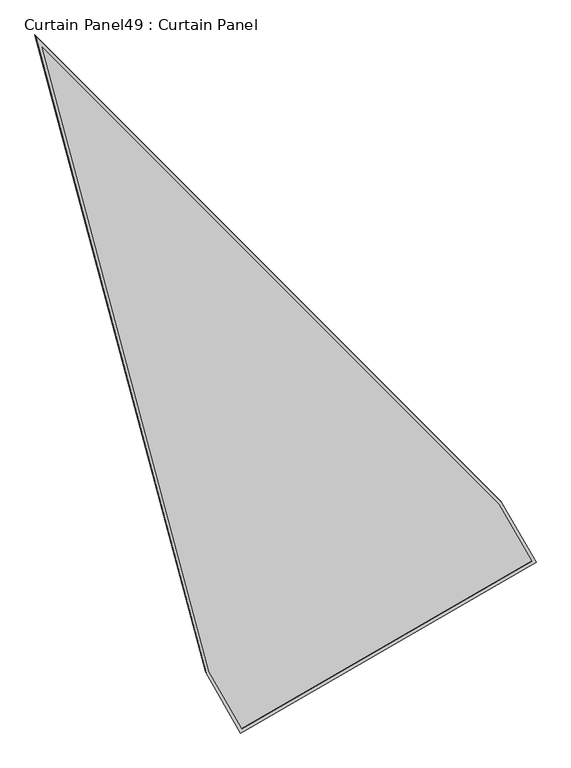
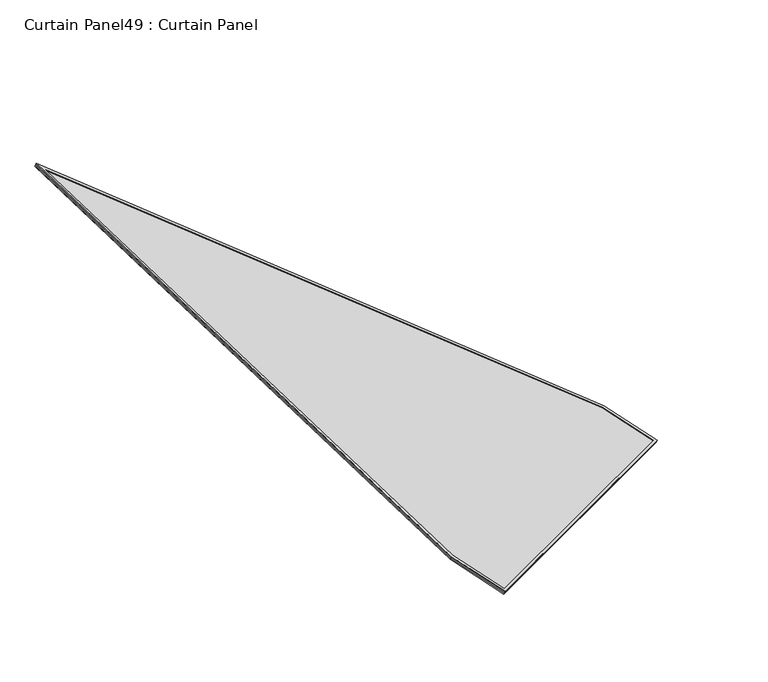
"""IFC4 building model written with IfcOpenShell, lengths in millimetres: plate geometry, Curtain Panel49 : Curtain Panel."""

from ifc_helpers import new_model, si_unit, frame, origin, place, context, project, spatial, polyline, outline, extrude, source, transform, mapped, element, save


def curtain_panel49_curtain_panel_530f396e(model_context):
    return source(origin(), model_context, "Body", "SweptSolid", [
        extrude(outline(polyline([(847.432027, -3696.5592355), (0.0, -362.9194999), (0.0, 0.0), (1694.6321762, 0.0), (1694.6321762, -363.8316639), (847.432027, -3696.5592355)]), holes=[polyline([(1677.9693784, -16.6627979), (16.6627979, -16.6627978), (16.6627978, -360.8347585), (847.432027, -3628.9261511), (1677.9693783, -361.7469225), (1677.9693784, -16.6627979)])]), frame((14801.0900521, -1323.8839401, 1929.7415994), z_axis=(0.15807291198690424, -0.2737903148616867, 0.9487106081329117), x_axis=(-0.8660254037844459, -0.4999999999999876, 0.0)), (0.0, 0.0, 1.0), 4.8609908),
        extrude(outline(polyline([(847.4320271, -3696.5592355), (0.0, -362.9194999), (0.0, 0.0), (1694.6321763, -1e-07), (1694.6321763, -363.8316639), (847.4320271, -3696.5592355)]), holes=[polyline([(1684.3193784, -10.3127979), (10.312798, -10.3127979), (10.312798, -361.6292294), (847.4320271, -3654.7003391), (1684.3193784, -362.5413934), (1684.3193784, -10.3127979)])]), frame((14798.3083223, -1319.0658426, 1913.0464135), z_axis=(0.1580729119869002, -0.27379031486168004, 0.9487106081329142), x_axis=(-0.8660254037844458, -0.49999999999998757, 0.0)), (0.0, 0.0, 1.0), 4.7549713),
        extrude(outline(polyline([(12.7, 0.0), (1707.3321762, 0.0), (1707.3321763, -363.8316639), (860.132027, -3696.5592354), (12.6999999, -362.9194999), (12.7, 0.0)])), frame((14810.058477, -1314.0177077, 1917.5575052), z_axis=(0.15807291198690065, -0.2737903148616807, 0.948710608132914), x_axis=(-0.8660254037844429, -0.4999999999999926, 0.0)), (0.0, 0.0, 1.0), 12.8427933),
    ])


if __name__ == "__main__":
    model = new_model("IFC4")
    model_context = context("Model", 3, world=origin())
    ifc_project = project(units=[si_unit("LENGTHUNIT", "METRE", prefix="MILLI")], contexts=[model_context])
    site = spatial("IfcSite", under=ifc_project)
    building = spatial("IfcBuilding", under=site)
    placement = place(None, origin())
    curtain_panel49_curtain_panel_shape = curtain_panel49_curtain_panel_530f396e(model_context)
    element("IfcPlate", 1, ObjectType="Curtain Panel49 : Curtain Panel", at=placement, inside=building, context=model_context, shape_type="MappedRepresentation", body=[
        mapped(curtain_panel49_curtain_panel_shape, transform((0.0, 0.0, 0.0), x_axis=(1.0, 0.0, 0.0), y_axis=(0.0, 1.0, 0.0), z_axis=(0.0, 0.0, 1.0))),
    ])
    save(model, "model.ifc")
